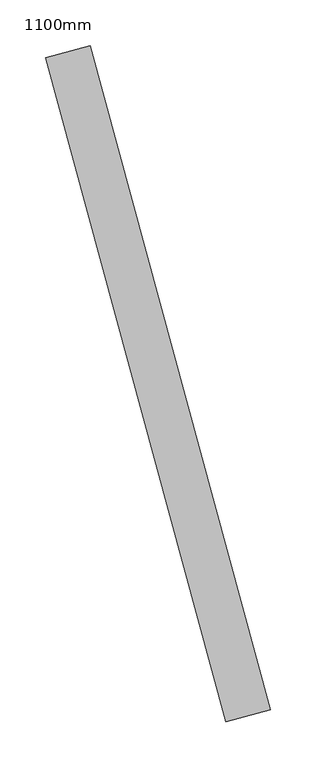
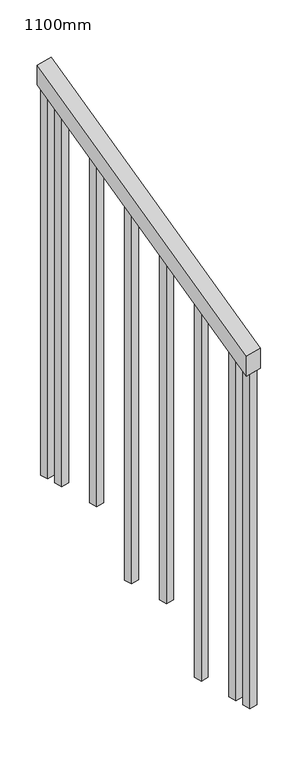
"""IFC4 building model written with IfcOpenShell, lengths in millimetres: railing geometry, 1100mm."""

from ifc_helpers import new_model, si_unit, frame, origin, place, context, project, spatial, polyline, outline, extrude, source, transform, mapped, element, save


def railing_1100mm_8b55f9a2(model_context):
    return source(origin(), model_context, "Body", "SweptSolid", [
        extrude(outline(polyline([(-35.5555555, -50.0), (0.0, 0.0), (920.2958462, 0.0), (884.7402906, -50.0), (-35.5555555, -50.0)])), frame((190016.8986941, 79704.560854, 1277.7777778), z_axis=(0.9649894123601838, 0.26228883703418915, 0.0), x_axis=(-0.21375368431595645, 0.7864232597553966, 0.5795237863600168)), (0.0, 0.0, 1.0), 50.0),
        extrude(outline(polyline([(1271.980277, -25.0), (108.8888889, -25.0), (91.1111112, 0.0), (1271.980277, 0.0), (1271.980277, -25.0)])), frame((189845.3588758, 80383.3320531, 1805.3136103), z_axis=(0.9649894123601837, 0.26228883703418915, 0.0), x_axis=(0.0, 0.0, -1.0)), (0.0, 0.0, 1.0), 25.0),
        extrude(outline(polyline([(1183.0913881, -25.0), (108.8888889, -25.0), (91.1111111, 0.0), (1183.0913881, 0.0), (1183.0913881, -25.0)])), frame((189878.1449804, 80262.7083766, 1716.4247214), z_axis=(0.9649894123601837, 0.26228883703418915, 0.0), x_axis=(0.0, 0.0, -1.0)), (0.0, 0.0, 1.0), 25.0),
        extrude(outline(polyline([(1271.9802769, -25.0000001), (108.8888889, -25.0000001), (91.1111111, 0.0), (1271.9802769, 0.0), (1271.9802769, -25.0000001)])), frame((189910.9310851, 80142.0847001, 1627.5358325), z_axis=(0.9649894123601837, 0.26228883703418915, 0.0), x_axis=(0.0, 0.0, -1.0)), (0.0, 0.0, 1.0), 25.0),
        extrude(outline(polyline([(1183.091388, -25.0), (108.8888889, -25.0), (91.1111111, 0.0), (1183.091388, 0.0), (1183.091388, -25.0)])), frame((189943.7171897, 80021.4610235, 1538.6469436), z_axis=(0.9649894123601837, 0.26228883703418915, 0.0), x_axis=(0.0, 0.0, -1.0)), (0.0, 0.0, 1.0), 25.0),
        extrude(outline(polyline([(1271.9802769, -25.0), (108.8888889, -25.0), (91.1111111, 0.0), (1271.9802769, 0.0), (1271.9802769, -25.0)])), frame((189976.5032943, 79900.837347, 1449.7580547), z_axis=(0.9649894123601837, 0.26228883703418915, 0.0), x_axis=(0.0, 0.0, -1.0)), (0.0, 0.0, 1.0), 25.0),
        extrude(outline(polyline([(1183.091388, -25.0), (108.8888889, -25.0), (91.1111111, 0.0), (1183.091388, 0.0), (1183.091388, -25.0)])), frame((190009.289399, 79780.2136704, 1360.8691658), z_axis=(0.9649894123601837, 0.26228883703418915, 0.0), x_axis=(0.0, 0.0, -1.0)), (0.0, 0.0, 1.0), 25.0),
        extrude(outline(polyline([(1307.5358325, -25.0), (108.8888889, -25.0), (91.1111111, 0.0), (1307.5358325, 0.0), (1307.5358325, -25.0)])), frame((189832.244434, 80431.5815238, 1840.8691658), z_axis=(0.9649894123601837, 0.26228883703418915, 0.0), x_axis=(0.0, 0.0, -1.0)), (0.0, 0.0, 1.0), 25.0),
        extrude(outline(polyline([(1147.5358325, -25.0), (108.8888889, -25.0), (91.1111112, 0.0), (1147.5358325, 0.0), (1147.5358325, -25.0)])), frame((190022.4038408, 79731.9641998, 1325.3136103), z_axis=(0.9649894123601837, 0.26228883703418915, 0.0), x_axis=(0.0, 0.0, -1.0)), (0.0, 0.0, 1.0), 25.0),
    ])


if __name__ == "__main__":
    model = new_model("IFC4")
    model_context = context("Model", 3, world=origin())
    ifc_project = project(units=[si_unit("LENGTHUNIT", "METRE", prefix="MILLI")], contexts=[model_context])
    site = spatial("IfcSite", under=ifc_project)
    building = spatial("IfcBuilding", under=site)
    placement = place(None, origin())
    railing_1100mm_shape = railing_1100mm_8b55f9a2(model_context)
    element("IfcRailing", 1, ObjectType="1100mm", at=placement, inside=building, context=model_context, shape_type="MappedRepresentation", body=[
        mapped(railing_1100mm_shape, transform((0.0, 0.0, 0.0), x_axis=(1.0, 0.0, 0.0), y_axis=(0.0, 1.0, 0.0), z_axis=(0.0, 0.0, 1.0))),
    ])
    save(model, "model.ifc")
